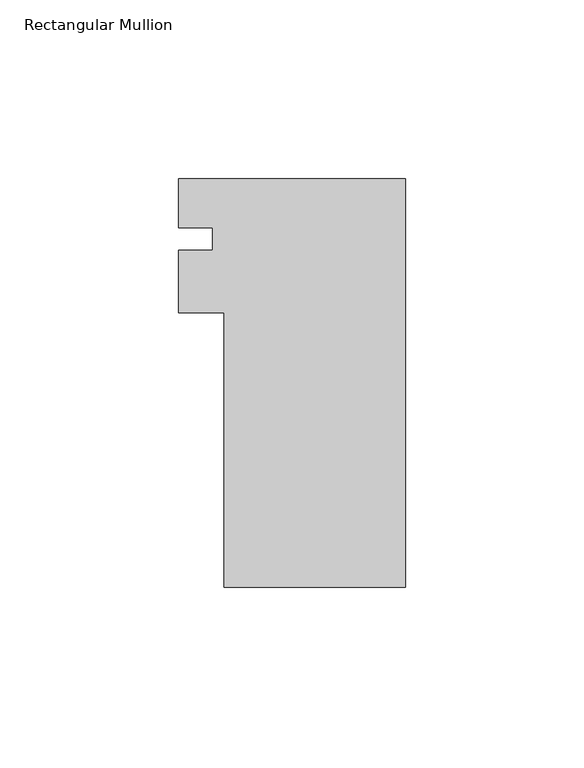
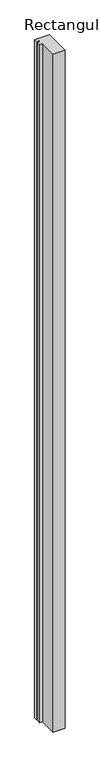
"""IFC4 building model written with IfcOpenShell, lengths in millimetres: member geometry, Rectangular Mullion."""

from ifc_helpers import new_model, si_unit, frame, origin, place, context, project, spatial, polyline, outline, extrude, source, transform, mapped, element, save


def rectangular_mullion_02bf2639(model_context):
    return source(origin(), model_context, "Body", "SweptSolid", [
        extrude(outline(polyline([(-50.8, -39.773225), (-50.8, 37.061775), (-63.4999959, 37.061775), (-63.4999959, 54.5598739), (-53.9749959, 54.5598739), (-53.9749959, 60.874275), (-63.4999959, 60.874275), (-63.4999959, 74.526775), (0.0, 74.526775), (0.0, -39.773225), (-50.8, -39.773225)])), frame((0.0, 0.0, -3048.0), z_axis=(0.0, 0.0, 1.0), x_axis=(1.0, 0.0, 0.0)), (0.0, 0.0, 1.0), 3048.0),
    ])


if __name__ == "__main__":
    model = new_model("IFC4")
    model_context = context("Model", 3, world=origin())
    ifc_project = project(units=[si_unit("LENGTHUNIT", "METRE", prefix="MILLI")], contexts=[model_context])
    site = spatial("IfcSite", under=ifc_project)
    building = spatial("IfcBuilding", under=site)
    placement = place(None, origin())
    rectangular_mullion_shape = rectangular_mullion_02bf2639(model_context)
    element("IfcMember", 1, ObjectType="Rectangular Mullion", at=placement, inside=building, context=model_context, shape_type="MappedRepresentation", body=[
        mapped(rectangular_mullion_shape, transform((0.0, 0.0, 0.0), x_axis=(1.0, 0.0, 0.0), y_axis=(0.0, 1.0, 0.0), z_axis=(0.0, 0.0, 1.0))),
    ])
    save(model, "model.ifc")
